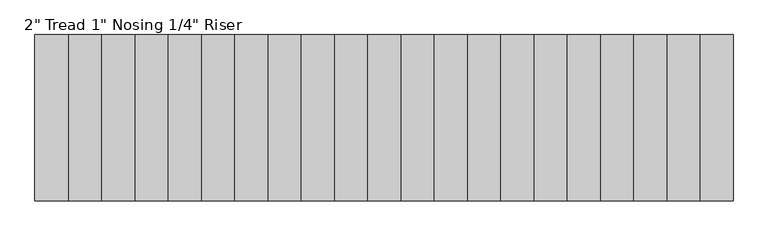
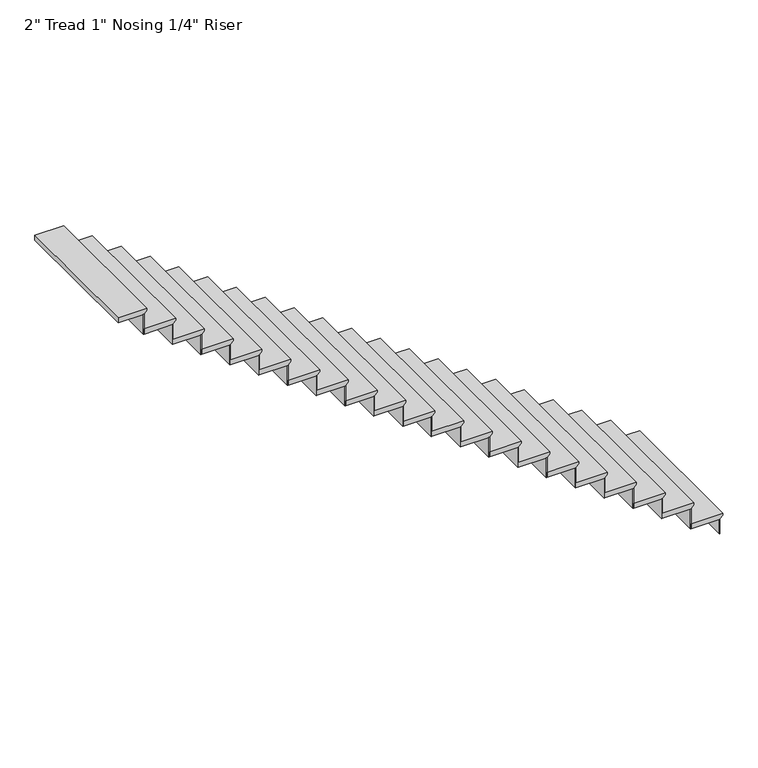
"""IFC4 building model written with IfcOpenShell, lengths in millimetres: stair flight geometry."""

from ifc_helpers import new_model, si_unit, frame, origin, place, context, project, spatial, polyline, outline, extrude, source, transform, mapped, element, save


def stair_flight_98e9bf59(model_context):
    return source(origin(), model_context, "Body", "SweptSolid", [
        extrude(outline(polyline([(-3920.1651163, 34963.5517692), (-3920.1651163, 34670.1817692), (-3970.9651163, 34670.1817692), (-3970.9651163, 34938.1517692), (-3964.6151163, 34938.1517692), (-3939.2151163, 34963.5517692), (-3920.1651163, 34963.5517692)])), frame((0.0, 1504.7573887, 0.0), z_axis=(0.0, 1.0, 0.0), x_axis=(0.0, 0.0, 1.0)), (0.0, 0.0, 1.0), 1339.5850048),
        extrude(outline(polyline([(34931.8017692, 2844.3423935), (34938.1517692, 2844.3423935), (34938.1517692, 1504.7573887), (34931.8017692, 1504.7573887), (34931.8017692, 2844.3423935)])), frame((0.0, 0.0, -4114.8), z_axis=(0.0, 0.0, 1.0), x_axis=(1.0, 0.0, 0.0)), (0.0, 0.0, 1.0), 143.8348837),
        extrude(outline(polyline([(34663.8317692, 2844.3423935), (34670.1817692, 2844.3423935), (34670.1817692, 1504.7573887), (34663.8317692, 1504.7573887), (34663.8317692, 2844.3423935)])), frame((0.0, 0.0, -3970.9651163), z_axis=(0.0, 0.0, 1.0), x_axis=(1.0, 0.0, 0.0)), (0.0, 0.0, 1.0), 194.6348837),
        extrude(outline(polyline([(-3725.5302326, 34695.5817692), (-3725.5302326, 34402.2117692), (-3776.3302326, 34402.2117692), (-3776.3302326, 34670.1817692), (-3769.9802326, 34670.1817692), (-3744.5802326, 34695.5817692), (-3725.5302326, 34695.5817692)])), frame((0.0, 1504.7573887, 0.0), z_axis=(0.0, 1.0, 0.0), x_axis=(0.0, 0.0, 1.0)), (0.0, 0.0, 1.0), 1339.5850048),
        extrude(outline(polyline([(34395.8617692, 2844.3423935), (34402.2117692, 2844.3423935), (34402.2117692, 1504.7573887), (34395.8617692, 1504.7573887), (34395.8617692, 2844.3423935)])), frame((0.0, 0.0, -3776.3302326), z_axis=(0.0, 0.0, 1.0), x_axis=(1.0, 0.0, 0.0)), (0.0, 0.0, 1.0), 194.6348837),
        extrude(outline(polyline([(-3530.8953488, 34427.6117692), (-3530.8953488, 34134.2417692), (-3581.6953488, 34134.2417692), (-3581.6953488, 34402.2117692), (-3575.3453488, 34402.2117692), (-3549.9453488, 34427.6117692), (-3530.8953488, 34427.6117692)])), frame((0.0, 1504.7573887, 0.0), z_axis=(0.0, 1.0, 0.0), x_axis=(0.0, 0.0, 1.0)), (0.0, 0.0, 1.0), 1339.5850048),
        extrude(outline(polyline([(34127.8917692, 2844.3423935), (34134.2417692, 2844.3423935), (34134.2417692, 1504.7573887), (34127.8917692, 1504.7573887), (34127.8917692, 2844.3423935)])), frame((0.0, 0.0, -3581.6953488), z_axis=(0.0, 0.0, 1.0), x_axis=(1.0, 0.0, 0.0)), (0.0, 0.0, 1.0), 194.6348837),
        extrude(outline(polyline([(-3336.2604651, 34159.6417692), (-3336.2604651, 33866.2717692), (-3387.0604651, 33866.2717692), (-3387.0604651, 34134.2417692), (-3380.7104651, 34134.2417692), (-3355.3104651, 34159.6417692), (-3336.2604651, 34159.6417692)])), frame((0.0, 1504.7573887, 0.0), z_axis=(0.0, 1.0, 0.0), x_axis=(0.0, 0.0, 1.0)), (0.0, 0.0, 1.0), 1339.5850048),
        extrude(outline(polyline([(33859.9217692, 2844.3423935), (33866.2717692, 2844.3423935), (33866.2717692, 1504.7573887), (33859.9217692, 1504.7573887), (33859.9217692, 2844.3423935)])), frame((0.0, 0.0, -3387.0604651), z_axis=(0.0, 0.0, 1.0), x_axis=(1.0, 0.0, 0.0)), (0.0, 0.0, 1.0), 194.6348837),
        extrude(outline(polyline([(-3141.6255814, 33891.6717692), (-3141.6255814, 33598.3017692), (-3192.4255814, 33598.3017692), (-3192.4255814, 33866.2717692), (-3186.0755814, 33866.2717692), (-3160.6755814, 33891.6717692), (-3141.6255814, 33891.6717692)])), frame((0.0, 1504.7573887, 0.0), z_axis=(0.0, 1.0, 0.0), x_axis=(0.0, 0.0, 1.0)), (0.0, 0.0, 1.0), 1339.5850048),
        extrude(outline(polyline([(33591.9517692, 2844.3423935), (33598.3017692, 2844.3423935), (33598.3017692, 1504.7573887), (33591.9517692, 1504.7573887), (33591.9517692, 2844.3423935)])), frame((0.0, 0.0, -3192.4255814), z_axis=(0.0, 0.0, 1.0), x_axis=(1.0, 0.0, 0.0)), (0.0, 0.0, 1.0), 194.6348837),
        extrude(outline(polyline([(-2946.9906977, 33623.7017692), (-2946.9906977, 33330.3317692), (-2997.7906977, 33330.3317692), (-2997.7906977, 33598.3017692), (-2991.4406977, 33598.3017692), (-2966.0406977, 33623.7017692), (-2946.9906977, 33623.7017692)])), frame((0.0, 1504.7573887, 0.0), z_axis=(0.0, 1.0, 0.0), x_axis=(0.0, 0.0, 1.0)), (0.0, 0.0, 1.0), 1339.5850048),
        extrude(outline(polyline([(33323.9817692, 2844.3423935), (33330.3317692, 2844.3423935), (33330.3317692, 1504.7573887), (33323.9817692, 1504.7573887), (33323.9817692, 2844.3423935)])), frame((0.0, 0.0, -2997.7906977), z_axis=(0.0, 0.0, 1.0), x_axis=(1.0, 0.0, 0.0)), (0.0, 0.0, 1.0), 194.6348837),
        extrude(outline(polyline([(-2752.355814, 33355.7317692), (-2752.355814, 33062.3617692), (-2803.155814, 33062.3617692), (-2803.155814, 33330.3317692), (-2796.805814, 33330.3317692), (-2771.405814, 33355.7317692), (-2752.355814, 33355.7317692)])), frame((0.0, 1504.7573887, 0.0), z_axis=(0.0, 1.0, 0.0), x_axis=(0.0, 0.0, 1.0)), (0.0, 0.0, 1.0), 1339.5850048),
        extrude(outline(polyline([(33056.0117692, 2844.3423935), (33062.3617692, 2844.3423935), (33062.3617692, 1504.7573887), (33056.0117692, 1504.7573887), (33056.0117692, 2844.3423935)])), frame((0.0, 0.0, -2803.155814), z_axis=(0.0, 0.0, 1.0), x_axis=(1.0, 0.0, 0.0)), (0.0, 0.0, 1.0), 194.6348837),
        extrude(outline(polyline([(-2557.7209302, 33087.7617692), (-2557.7209302, 32794.3917692), (-2608.5209302, 32794.3917692), (-2608.5209302, 33062.3617692), (-2602.1709302, 33062.3617692), (-2576.7709302, 33087.7617692), (-2557.7209302, 33087.7617692)])), frame((0.0, 1504.7573887, 0.0), z_axis=(0.0, 1.0, 0.0), x_axis=(0.0, 0.0, 1.0)), (0.0, 0.0, 1.0), 1339.5850048),
        extrude(outline(polyline([(32788.0417692, 2844.3423935), (32794.3917692, 2844.3423935), (32794.3917692, 1504.7573887), (32788.0417692, 1504.7573887), (32788.0417692, 2844.3423935)])), frame((0.0, 0.0, -2608.5209302), z_axis=(0.0, 0.0, 1.0), x_axis=(1.0, 0.0, 0.0)), (0.0, 0.0, 1.0), 194.6348837),
        extrude(outline(polyline([(-2363.0860465, 32819.7917692), (-2363.0860465, 32526.4217692), (-2413.8860465, 32526.4217692), (-2413.8860465, 32794.3917692), (-2407.5360465, 32794.3917692), (-2382.1360465, 32819.7917692), (-2363.0860465, 32819.7917692)])), frame((0.0, 1504.7573887, 0.0), z_axis=(0.0, 1.0, 0.0), x_axis=(0.0, 0.0, 1.0)), (0.0, 0.0, 1.0), 1339.5850048),
        extrude(outline(polyline([(32520.0717692, 2844.3423935), (32526.4217692, 2844.3423935), (32526.4217692, 1504.7573887), (32520.0717692, 1504.7573887), (32520.0717692, 2844.3423935)])), frame((0.0, 0.0, -2413.8860465), z_axis=(0.0, 0.0, 1.0), x_axis=(1.0, 0.0, 0.0)), (0.0, 0.0, 1.0), 194.6348837),
        extrude(outline(polyline([(-2168.4511628, 32551.8217692), (-2168.4511628, 32258.4517692), (-2219.2511628, 32258.4517692), (-2219.2511628, 32526.4217692), (-2212.9011628, 32526.4217692), (-2187.5011628, 32551.8217692), (-2168.4511628, 32551.8217692)])), frame((0.0, 1504.7573887, 0.0), z_axis=(0.0, 1.0, 0.0), x_axis=(0.0, 0.0, 1.0)), (0.0, 0.0, 1.0), 1339.5850048),
        extrude(outline(polyline([(32252.1017692, 2844.3423935), (32258.4517692, 2844.3423935), (32258.4517692, 1504.7573887), (32252.1017692, 1504.7573887), (32252.1017692, 2844.3423935)])), frame((0.0, 0.0, -2219.2511628), z_axis=(0.0, 0.0, 1.0), x_axis=(1.0, 0.0, 0.0)), (0.0, 0.0, 1.0), 194.6348837),
        extrude(outline(polyline([(-1973.8162791, 32283.8517692), (-1973.8162791, 31990.4817692), (-2024.6162791, 31990.4817692), (-2024.6162791, 32258.4517692), (-2018.2662791, 32258.4517692), (-1992.8662791, 32283.8517692), (-1973.8162791, 32283.8517692)])), frame((0.0, 1504.7573887, 0.0), z_axis=(0.0, 1.0, 0.0), x_axis=(0.0, 0.0, 1.0)), (0.0, 0.0, 1.0), 1339.5850048),
        extrude(outline(polyline([(31984.1317692, 2844.3423935), (31990.4817692, 2844.3423935), (31990.4817692, 1504.7573887), (31984.1317692, 1504.7573887), (31984.1317692, 2844.3423935)])), frame((0.0, 0.0, -2024.6162791), z_axis=(0.0, 0.0, 1.0), x_axis=(1.0, 0.0, 0.0)), (0.0, 0.0, 1.0), 194.6348837),
        extrude(outline(polyline([(-1779.1813953, 32015.8817692), (-1779.1813953, 31722.5117692), (-1829.9813953, 31722.5117692), (-1829.9813953, 31990.4817692), (-1823.6313953, 31990.4817692), (-1798.2313953, 32015.8817692), (-1779.1813953, 32015.8817692)])), frame((0.0, 1504.7573887, 0.0), z_axis=(0.0, 1.0, 0.0), x_axis=(0.0, 0.0, 1.0)), (0.0, 0.0, 1.0), 1339.5850048),
        extrude(outline(polyline([(31716.1617692, 2844.3423935), (31722.5117692, 2844.3423935), (31722.5117692, 1504.7573887), (31716.1617692, 1504.7573887), (31716.1617692, 2844.3423935)])), frame((0.0, 0.0, -1829.9813953), z_axis=(0.0, 0.0, 1.0), x_axis=(1.0, 0.0, 0.0)), (0.0, 0.0, 1.0), 194.6348837),
        extrude(outline(polyline([(-1584.5465116, 31747.9117692), (-1584.5465116, 31454.5417692), (-1635.3465116, 31454.5417692), (-1635.3465116, 31722.5117692), (-1628.9965116, 31722.5117692), (-1603.5965116, 31747.9117692), (-1584.5465116, 31747.9117692)])), frame((0.0, 1504.7573887, 0.0), z_axis=(0.0, 1.0, 0.0), x_axis=(0.0, 0.0, 1.0)), (0.0, 0.0, 1.0), 1339.5850048),
        extrude(outline(polyline([(31448.1917692, 2844.3423935), (31454.5417692, 2844.3423935), (31454.5417692, 1504.7573887), (31448.1917692, 1504.7573887), (31448.1917692, 2844.3423935)])), frame((0.0, 0.0, -1635.3465116), z_axis=(0.0, 0.0, 1.0), x_axis=(1.0, 0.0, 0.0)), (0.0, 0.0, 1.0), 194.6348837),
        extrude(outline(polyline([(-1389.9116279, 31479.9417692), (-1389.9116279, 31186.5717692), (-1440.7116279, 31186.5717692), (-1440.7116279, 31454.5417692), (-1434.3616279, 31454.5417692), (-1408.9616279, 31479.9417692), (-1389.9116279, 31479.9417692)])), frame((0.0, 1504.7573887, 0.0), z_axis=(0.0, 1.0, 0.0), x_axis=(0.0, 0.0, 1.0)), (0.0, 0.0, 1.0), 1339.5850048),
        extrude(outline(polyline([(31180.2217692, 2844.3423935), (31186.5717692, 2844.3423935), (31186.5717692, 1504.7573887), (31180.2217692, 1504.7573887), (31180.2217692, 2844.3423935)])), frame((0.0, 0.0, -1440.7116279), z_axis=(0.0, 0.0, 1.0), x_axis=(1.0, 0.0, 0.0)), (0.0, 0.0, 1.0), 194.6348837),
        extrude(outline(polyline([(-1195.2767442, 31211.9717692), (-1195.2767442, 30918.6017692), (-1246.0767442, 30918.6017692), (-1246.0767442, 31186.5717692), (-1239.7267442, 31186.5717692), (-1214.3267442, 31211.9717692), (-1195.2767442, 31211.9717692)])), frame((0.0, 1504.7573887, 0.0), z_axis=(0.0, 1.0, 0.0), x_axis=(0.0, 0.0, 1.0)), (0.0, 0.0, 1.0), 1339.5850048),
        extrude(outline(polyline([(30912.2517692, 2844.3423935), (30918.6017692, 2844.3423935), (30918.6017692, 1504.7573887), (30912.2517692, 1504.7573887), (30912.2517692, 2844.3423935)])), frame((0.0, 0.0, -1246.0767442), z_axis=(0.0, 0.0, 1.0), x_axis=(1.0, 0.0, 0.0)), (0.0, 0.0, 1.0), 194.6348837),
        extrude(outline(polyline([(-1000.6418605, 30944.0017692), (-1000.6418605, 30650.6317692), (-1051.4418605, 30650.6317692), (-1051.4418605, 30918.6017692), (-1045.0918605, 30918.6017692), (-1019.6918605, 30944.0017692), (-1000.6418605, 30944.0017692)])), frame((0.0, 1504.7573887, 0.0), z_axis=(0.0, 1.0, 0.0), x_axis=(0.0, 0.0, 1.0)), (0.0, 0.0, 1.0), 1339.5850048),
        extrude(outline(polyline([(30644.2817692, 2844.3423935), (30650.6317692, 2844.3423935), (30650.6317692, 1504.7573887), (30644.2817692, 1504.7573887), (30644.2817692, 2844.3423935)])), frame((0.0, 0.0, -1051.4418605), z_axis=(0.0, 0.0, 1.0), x_axis=(1.0, 0.0, 0.0)), (0.0, 0.0, 1.0), 194.6348837),
        extrude(outline(polyline([(-806.0069767, 30676.0317692), (-806.0069767, 30382.6617692), (-856.8069767, 30382.6617692), (-856.8069767, 30650.6317692), (-850.4569767, 30650.6317692), (-825.0569767, 30676.0317692), (-806.0069767, 30676.0317692)])), frame((0.0, 1504.7573887, 0.0), z_axis=(0.0, 1.0, 0.0), x_axis=(0.0, 0.0, 1.0)), (0.0, 0.0, 1.0), 1339.5850048),
        extrude(outline(polyline([(30376.3117692, 2844.3423935), (30382.6617692, 2844.3423935), (30382.6617692, 1504.7573887), (30376.3117692, 1504.7573887), (30376.3117692, 2844.3423935)])), frame((0.0, 0.0, -856.8069767), z_axis=(0.0, 0.0, 1.0), x_axis=(1.0, 0.0, 0.0)), (0.0, 0.0, 1.0), 194.6348837),
        extrude(outline(polyline([(-611.372093, 30408.0617692), (-611.372093, 30114.6917692), (-662.172093, 30114.6917692), (-662.172093, 30382.6617692), (-655.822093, 30382.6617692), (-630.422093, 30408.0617692), (-611.372093, 30408.0617692)])), frame((0.0, 1504.7573887, 0.0), z_axis=(0.0, 1.0, 0.0), x_axis=(0.0, 0.0, 1.0)), (0.0, 0.0, 1.0), 1339.5850048),
        extrude(outline(polyline([(30108.3417692, 2844.3423935), (30114.6917692, 2844.3423935), (30114.6917692, 1504.7573887), (30108.3417692, 1504.7573887), (30108.3417692, 2844.3423935)])), frame((0.0, 0.0, -662.172093), z_axis=(0.0, 0.0, 1.0), x_axis=(1.0, 0.0, 0.0)), (0.0, 0.0, 1.0), 194.6348837),
        extrude(outline(polyline([(-416.7372093, 30140.0917692), (-416.7372093, 29846.7217692), (-467.5372093, 29846.7217692), (-467.5372093, 30114.6917692), (-461.1872093, 30114.6917692), (-435.7872093, 30140.0917692), (-416.7372093, 30140.0917692)])), frame((0.0, 1504.7573887, 0.0), z_axis=(0.0, 1.0, 0.0), x_axis=(0.0, 0.0, 1.0)), (0.0, 0.0, 1.0), 1339.5850048),
        extrude(outline(polyline([(29840.3717692, 2844.3423935), (29846.7217692, 2844.3423935), (29846.7217692, 1504.7573887), (29840.3717692, 1504.7573887), (29840.3717692, 2844.3423935)])), frame((0.0, 0.0, -467.5372093), z_axis=(0.0, 0.0, 1.0), x_axis=(1.0, 0.0, 0.0)), (0.0, 0.0, 1.0), 194.6348837),
        extrude(outline(polyline([(-222.1023256, 29872.1217692), (-222.1023256, 29578.7517692), (-272.9023256, 29578.7517692), (-272.9023256, 29846.7217692), (-266.5523256, 29846.7217692), (-241.1523256, 29872.1217692), (-222.1023256, 29872.1217692)])), frame((0.0, 1504.7573887, 0.0), z_axis=(0.0, 1.0, 0.0), x_axis=(0.0, 0.0, 1.0)), (0.0, 0.0, 1.0), 1339.5850048),
        extrude(outline(polyline([(29572.4017692, 2844.3423935), (29578.7517692, 2844.3423935), (29578.7517692, 1504.7573887), (29572.4017692, 1504.7573887), (29572.4017692, 2844.3423935)])), frame((0.0, 0.0, -272.9023256), z_axis=(0.0, 0.0, 1.0), x_axis=(1.0, 0.0, 0.0)), (0.0, 0.0, 1.0), 194.6348837),
        extrude(outline(polyline([(-27.4674419, 29604.1517692), (-27.4674419, 29336.1817692), (-78.2674419, 29336.1817692), (-78.2674419, 29578.7517692), (-71.9174419, 29578.7517692), (-46.5174419, 29604.1517692), (-27.4674419, 29604.1517692)])), frame((0.0, 1504.7573887, 0.0), z_axis=(0.0, 1.0, 0.0), x_axis=(0.0, 0.0, 1.0)), (0.0, 0.0, 1.0), 1339.5850048),
    ])


if __name__ == "__main__":
    model = new_model("IFC4")
    model_context = context("Model", 3, world=origin())
    ifc_project = project(units=[si_unit("LENGTHUNIT", "METRE", prefix="MILLI")], contexts=[model_context])
    site = spatial("IfcSite", under=ifc_project)
    building = spatial("IfcBuilding", under=site)
    placement = place(None, origin())
    stair_flight_shape = stair_flight_98e9bf59(model_context)
    element("IfcStairFlight", 1, ObjectType="2\" Tread 1\" Nosing 1/4\" Riser", at=placement, inside=building, context=model_context, shape_type="MappedRepresentation", body=[
        mapped(stair_flight_shape, transform((0.0, 0.0, 0.0), x_axis=(1.0, 0.0, 0.0), y_axis=(0.0, 1.0, 0.0), z_axis=(0.0, 0.0, 1.0))),
    ])
    save(model, "model.ifc")
